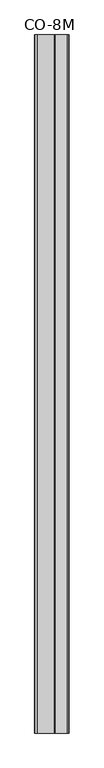
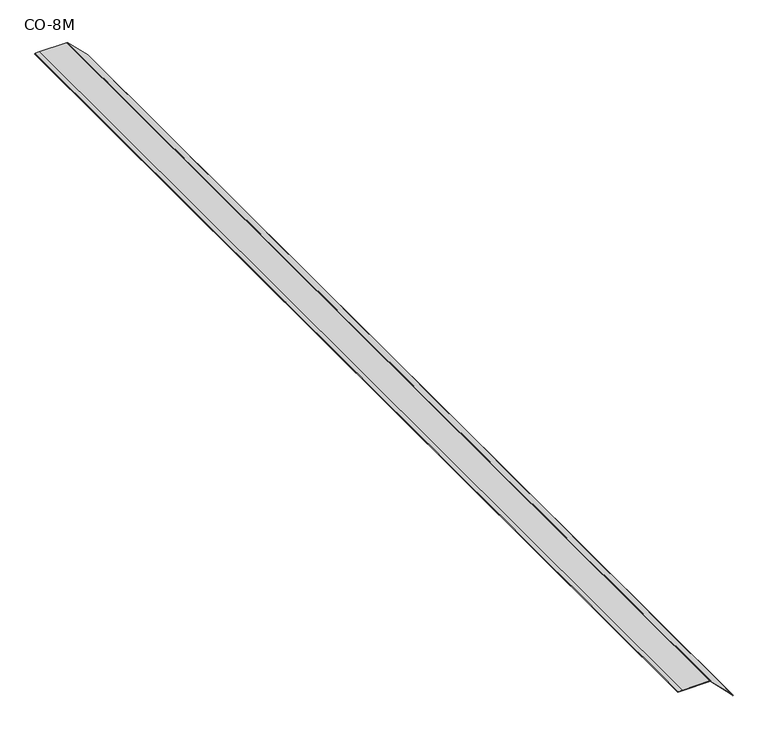
"""IFC4 building model written with IfcOpenShell, lengths in millimetres: proxy geometry, CO-8M."""

from ifc_helpers import new_model, si_unit, point, frame, frame_2d, origin, place, context, project, spatial, polyline, circle_curve, trimmed, segment, composite_curve, outline, extrude, source, transform, mapped, element, save


def co_8m_8551a153(model_context):
    return source(origin(), model_context, "Body", "SweptSolid", [
        extrude(outline(composite_curve([segment(polyline([(2.6587959, -76.0302961), (1.5652055, -86.4740847)]), True, "CONTINUOUS"), segment(trimmed(circle_curve(frame_2d((1.0035895, -86.5937654)), 0.5742265), [point((1.5652055, -86.4740847))], [point((1.0633152, -87.1648774))], False, "CARTESIAN"), True, "CONTINUOUS"), segment(polyline([(1.0633152, -87.1648774), (0.0, -87.0129752), (1.131403, -75.9737141), (1.131403, 0.451536), (-52.8930921, 54.5336265), (-61.5182123, 61.5269672), (-60.8694836, 62.4534478)]), True, "CONTINUOUS"), segment(trimmed(circle_curve(frame_2d((-60.6617908, 61.3722587)), 1.1009569), [point((-60.8694836, 62.4534478))], [point((-59.9684059, 62.2274333))], False, "CARTESIAN"), True, "CONTINUOUS"), segment(polyline([(-59.9684059, 62.2274333), (-51.9098042, 55.693432), (1.3588529, 2.4247748)]), True, "CONTINUOUS"), segment(trimmed(circle_curve(frame_2d((-1.7832813, -0.7173594)), 4.4436488), [point((1.3588529, 2.4247748))], [point((2.6587959, -0.8355321))], False, "CARTESIAN"), True, "CONTINUOUS"), segment(polyline([(2.6587959, -0.8355321), (2.6587959, -76.0302961)]), True, "CONTINUOUS")], self_intersect=False)), frame((0.0, -1141.4125, 0.0), z_axis=(0.0, 1.0, 0.0), x_axis=(0.0, 0.0, 1.0)), (0.0, 0.0, 1.0), 3021.0125),
    ])


if __name__ == "__main__":
    model = new_model("IFC4")
    model_context = context("Model", 3, world=origin())
    ifc_project = project(units=[si_unit("LENGTHUNIT", "METRE", prefix="MILLI")], contexts=[model_context])
    site = spatial("IfcSite", under=ifc_project)
    building = spatial("IfcBuilding", under=site)
    placement = place(None, origin())
    co_8m_shape = co_8m_8551a153(model_context)
    element("IfcBuildingElementProxy", 1, Name="CO-8M", ObjectType="CO-8M", at=placement, inside=building, context=model_context, shape_type="MappedRepresentation", body=[
        mapped(co_8m_shape, transform((0.0, 0.0, 0.0), x_axis=(1.0, 0.0, 0.0), y_axis=(0.0, 1.0, 0.0), z_axis=(0.0, 0.0, 1.0))),
    ])
    save(model, "model.ifc")
